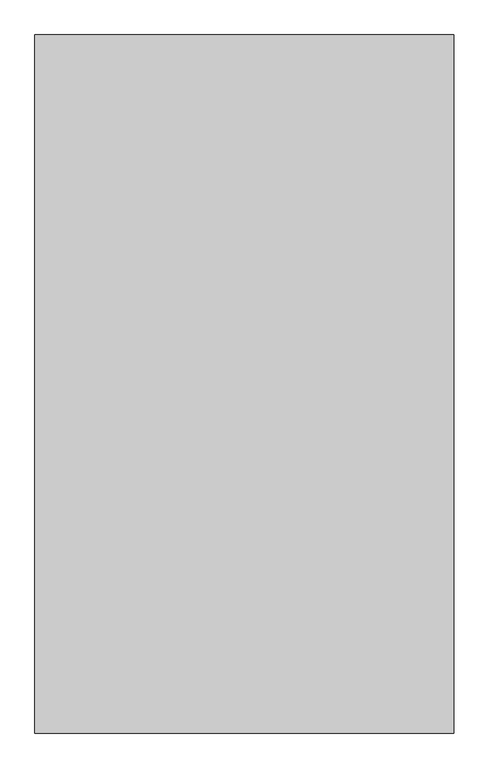
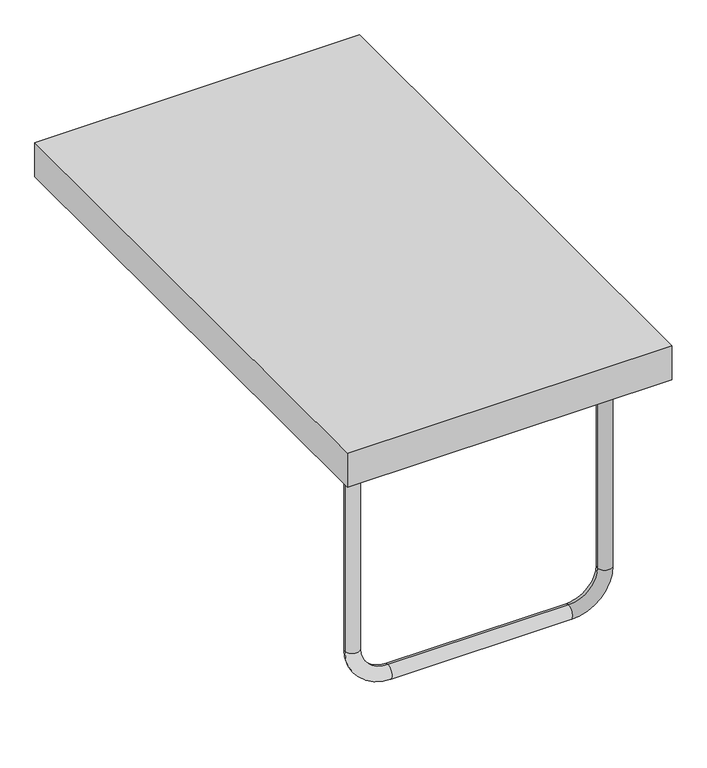
"""IFC4 building model written with IfcOpenShell, lengths in millimetres: furniture geometry."""

from ifc_helpers import new_model, si_unit, point, frame, origin, place, context, project, spatial, polyline, circle_curve, ellipse_curve, trimmed, outline, extrude, source, transform, mapped, element, save
from ifc_brep_helpers import cylinder_surface, revolved_surface, advanced_brep


def furniture_2b2cb0fd(model_context):
    return source(origin(), model_context, "Body", "SolidModel", [
        advanced_brep(
        [(330.0, -600.0, 600.0), (250.0, -600.0, 680.0), (250.0, -600.0, 720.0), (370.0, -600.0, 600.0), (370.0, -600.0, 100.0), (330.0, -600.0, 100.0), (250.0, -600.0, 20.0), (250.0, -600.0, -20.0), (-250.0, -600.0, -20.0), (-250.0, -600.0, 20.0), (-330.0, -600.0, 100.0), (-370.0, -600.0, 100.0), (-370.0, -600.0, 600.0), (-330.0, -600.0, 600.0), (-250.0, -600.0, 680.0), (-250.0, -600.0, 720.0)],
        [
            (0, 1, circle_curve(frame((250.0, -600.0, 600.0), z_axis=(0.0, -1.0, 0.0), x_axis=(0.0, 0.0, 1.0)), 80.0)),
            (1, 2, circle_curve(frame((250.0, -600.0, 700.0), z_axis=(1.0, 0.0, 0.0), x_axis=(0.0, 0.0, -1.0)), 20.0)),
            (2, 3, circle_curve(frame((250.0, -600.0, 600.0), z_axis=(0.0, 1.0, 0.0), x_axis=(0.0, 0.0, 1.0)), 120.0)),
            (3, 0, circle_curve(frame((350.0, -600.0, 600.0), z_axis=(0.0, 0.0, 1.0), x_axis=(-1.0, 0.0, 0.0)), 20.0)),
            (2, 1, circle_curve(frame((250.0, -600.0, 700.0), z_axis=(1.0, 0.0, 0.0), x_axis=(0.0, 0.0, -1.0)), 20.0)),
            (0, 3, circle_curve(frame((350.0, -600.0, 600.0), z_axis=(0.0, 0.0, 1.0), x_axis=(-1.0, 0.0, 0.0)), 20.0)),
            (3, 4),
            (4, 5, circle_curve(frame((350.0, -600.0, 100.0), z_axis=(0.0, 0.0, 1.0), x_axis=(-1.0, 0.0, 0.0)), 20.0)),
            (5, 0),
            (5, 4, circle_curve(frame((350.0, -600.0, 100.0), z_axis=(0.0, 0.0, 1.0), x_axis=(-1.0, 0.0, 0.0)), 20.0)),
            (6, 5, circle_curve(frame((250.0, -600.0, 100.0), z_axis=(0.0, -1.0, 0.0), x_axis=(1.0, 0.0, 0.0)), 80.0)),
            (4, 7, circle_curve(frame((250.0, -600.0, 100.0), z_axis=(0.0, 1.0, 0.0), x_axis=(1.0, 0.0, 0.0)), 120.0)),
            (7, 6, circle_curve(frame((250.0, -600.0, 0.0), z_axis=(1.0, 0.0, 0.0), x_axis=(0.0, 0.0, 1.0)), 20.0)),
            (6, 7, circle_curve(frame((250.0, -600.0, 0.0), z_axis=(1.0, 0.0, 0.0), x_axis=(0.0, 0.0, 1.0)), 20.0)),
            (7, 8),
            (8, 9, circle_curve(frame((-250.0, -600.0, 0.0), z_axis=(1.0, 0.0, 0.0), x_axis=(0.0, 0.0, 1.0)), 20.0)),
            (9, 6),
            (9, 8, circle_curve(frame((-250.0, -600.0, 0.0), z_axis=(1.0, 0.0, 0.0), x_axis=(0.0, 0.0, 1.0)), 20.0)),
            (10, 9, circle_curve(frame((-250.0, -600.0, 100.0), z_axis=(0.0, -1.0, 0.0), x_axis=(0.0, 0.0, -1.0)), 80.0)),
            (8, 11, circle_curve(frame((-250.0, -600.0, 100.0), z_axis=(0.0, 1.0, 0.0), x_axis=(0.0, 0.0, -1.0)), 120.0)),
            (11, 10, circle_curve(frame((-350.0, -600.0, 100.0), z_axis=(0.0, 0.0, -1.0), x_axis=(1.0, 0.0, 0.0)), 20.0)),
            (10, 11, circle_curve(frame((-350.0, -600.0, 100.0), z_axis=(0.0, 0.0, -1.0), x_axis=(1.0, 0.0, 0.0)), 20.0)),
            (11, 12),
            (12, 13, circle_curve(frame((-350.0, -600.0, 600.0), z_axis=(0.0, 0.0, -1.0), x_axis=(1.0, 0.0, 0.0)), 20.0)),
            (13, 10),
            (13, 12, circle_curve(frame((-350.0, -600.0, 600.0), z_axis=(0.0, 0.0, -1.0), x_axis=(1.0, 0.0, 0.0)), 20.0)),
            (14, 13, circle_curve(frame((-250.0, -600.0, 600.0), z_axis=(0.0, -1.0, 0.0), x_axis=(-1.0, 0.0, 0.0)), 80.0)),
            (12, 15, circle_curve(frame((-250.0, -600.0, 600.0), z_axis=(0.0, 1.0, 0.0), x_axis=(-1.0, 0.0, 0.0)), 120.0)),
            (15, 14, circle_curve(frame((-250.0, -600.0, 700.0), z_axis=(-1.0, 0.0, 0.0), x_axis=(0.0, 0.0, -1.0)), 20.0)),
            (14, 15, circle_curve(frame((-250.0, -600.0, 700.0), z_axis=(-1.0, 0.0, 0.0), x_axis=(0.0, 0.0, -1.0)), 20.0)),
            (15, 2),
            (1, 14),
        ],
        [
            revolved_surface(trimmed(ellipse_curve(frame((250.0, -600.0, 700.0), z_axis=(-1.0, 0.0, 0.0), x_axis=(0.0, 0.0, -1.0)), 20.0, 20.0), [point((250.0, -600.0, 720.0))], [point((250.0, -600.0, 680.0))], True, "CARTESIAN"), (250.0, -600.0, 600.0), (0.0, 1.0, 0.0)),
            revolved_surface(trimmed(ellipse_curve(frame((250.0, -600.0, 700.0), z_axis=(-1.0, 0.0, 0.0), x_axis=(0.0, 0.0, -1.0)), 20.0, 20.0), [point((250.0, -600.0, 680.0))], [point((250.0, -600.0, 720.0))], True, "CARTESIAN"), (250.0, -600.0, 600.0), (0.0, 1.0, 0.0)),
            cylinder_surface(frame((350.0, -600.0, 600.0), z_axis=(0.0, 0.0, 1.0), x_axis=(-1.0, 0.0, 0.0)), 20.0),
            revolved_surface(trimmed(ellipse_curve(frame((350.0, -600.0, 100.0), z_axis=(0.0, 0.0, 1.0), x_axis=(-1.0, 0.0, 0.0)), 20.0, 20.0), [point((370.0, -600.0, 100.0))], [point((330.0, -600.0, 100.0))], True, "CARTESIAN"), (250.0, -600.0, 100.0), (0.0, 1.0, 0.0)),
            revolved_surface(trimmed(ellipse_curve(frame((350.0, -600.0, 100.0), z_axis=(0.0, 0.0, 1.0), x_axis=(-1.0, 0.0, 0.0)), 20.0, 20.0), [point((330.0, -600.0, 100.0))], [point((370.0, -600.0, 100.0))], True, "CARTESIAN"), (250.0, -600.0, 100.0), (0.0, 1.0, 0.0)),
            cylinder_surface(frame((250.0, -600.0, 0.0), z_axis=(1.0, 0.0, 0.0), x_axis=(0.0, 0.0, 1.0)), 20.0),
            revolved_surface(trimmed(ellipse_curve(frame((-250.0, -600.0, 0.0), z_axis=(1.0, 0.0, 0.0), x_axis=(0.0, 0.0, 1.0)), 20.0, 20.0), [point((-250.0, -600.0, -20.0))], [point((-250.0, -600.0, 20.0))], True, "CARTESIAN"), (-250.0, -600.0, 100.0), (0.0, 1.0, 0.0)),
            revolved_surface(trimmed(ellipse_curve(frame((-250.0, -600.0, 0.0), z_axis=(1.0, 0.0, 0.0), x_axis=(0.0, 0.0, 1.0)), 20.0, 20.0), [point((-250.0, -600.0, 20.0))], [point((-250.0, -600.0, -20.0))], True, "CARTESIAN"), (-250.0, -600.0, 100.0), (0.0, 1.0, 0.0)),
            cylinder_surface(frame((-350.0, -600.0, 100.0), z_axis=(0.0, 0.0, -1.0), x_axis=(1.0, 0.0, 0.0)), 20.0),
            revolved_surface(trimmed(ellipse_curve(frame((-350.0, -600.0, 600.0), z_axis=(0.0, 0.0, -1.0), x_axis=(1.0, 0.0, 0.0)), 20.0, 20.0), [point((-370.0, -600.0, 600.0))], [point((-330.0, -600.0, 600.0))], True, "CARTESIAN"), (-250.0, -600.0, 600.0), (0.0, 1.0, 0.0)),
            revolved_surface(trimmed(ellipse_curve(frame((-350.0, -600.0, 600.0), z_axis=(0.0, 0.0, -1.0), x_axis=(1.0, 0.0, 0.0)), 20.0, 20.0), [point((-330.0, -600.0, 600.0))], [point((-370.0, -600.0, 600.0))], True, "CARTESIAN"), (-250.0, -600.0, 600.0), (0.0, 1.0, 0.0)),
            cylinder_surface(frame((-250.0, -600.0, 700.0), z_axis=(-1.0, 0.0, 0.0), x_axis=(0.0, 0.0, -1.0)), 20.0),
        ],
        [
            (0, [[1, 2, 3, 4]]),
            (1, [[-3, 5, -1, 6]]),
            (2, [[-4, 7, 8, 9]]),
            (2, [[-6, -9, 10, -7]]),
            (3, [[11, -8, 12, 13]]),
            (4, [[-12, -10, -11, 14]]),
            (5, [[-13, 15, 16, 17]]),
            (5, [[-14, -17, 18, -15]]),
            (6, [[19, -16, 20, 21]]),
            (7, [[-20, -18, -19, 22]]),
            (8, [[-21, 23, 24, 25]]),
            (8, [[-22, -25, 26, -23]]),
            (9, [[27, -24, 28, 29]]),
            (10, [[-28, -26, -27, 30]]),
            (11, [[-29, 31, -2, 32]]),
            (11, [[-30, -32, -5, -31]]),
        ],
    ),
        extrude(outline(polyline([(450.0, 750.0), (450.0, -750.0), (-450.0, -750.0), (-450.0, 750.0), (450.0, 750.0)])), frame((0.0, 0.0, 700.0), z_axis=(0.0, 0.0, 1.0), x_axis=(1.0, 0.0, 0.0)), (0.0, 0.0, 1.0), 100.0),
    ])


if __name__ == "__main__":
    model = new_model("IFC4")
    model_context = context("Model", 3, world=origin())
    ifc_project = project(units=[si_unit("LENGTHUNIT", "METRE", prefix="MILLI")], contexts=[model_context])
    site = spatial("IfcSite", under=ifc_project)
    building = spatial("IfcBuilding", under=site)
    placement = place(None, origin())
    furniture_shape = furniture_2b2cb0fd(model_context)
    element("IfcFurniture", 1, at=placement, inside=building, context=model_context, shape_type="MappedRepresentation", body=[
        mapped(furniture_shape, transform((0.0, 0.0, 0.0), x_axis=(1.0, 0.0, 0.0), y_axis=(0.0, 1.0, 0.0), z_axis=(0.0, 0.0, 1.0))),
    ])
    save(model, "model.ifc")
